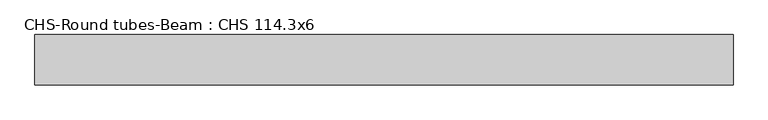
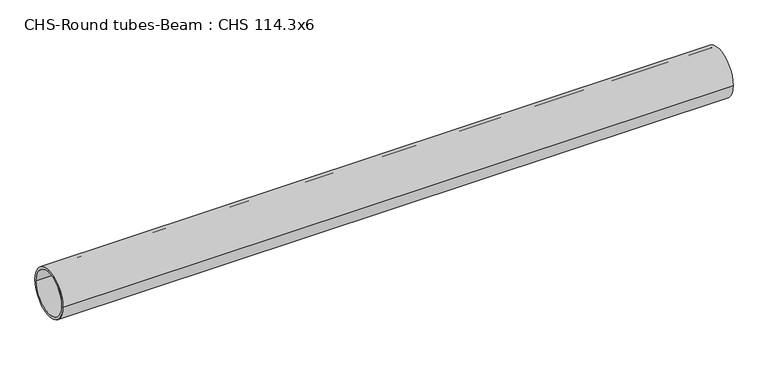
"""IFC4 building model written with IfcOpenShell, lengths in millimetres: beam geometry, CHS-Round tubes-Beam : CHS 114.3x6."""

import ifcopenshell
import ifcopenshell.guid

model = None  # the IFC model being written
_history = None  # IfcOwnerHistory: only IFC2X3 demands one
_inside = {}  # id of a spatial element -> (the spatial element, [elements in it])
_under = {}  # id of a project, library or spatial element -> (it, [spatial elements below it])
_declared = {}  # id of a project -> (the project, [libraries it declares])
_typed = {}  # id of a type object -> (the type object, [elements of that type])
_made_of = {}  # id of a material, layer set ... -> (it, [elements and type objects made of it])


def new_model(schema):
    """Start an empty IFC model of exactly this schema.

    Asked for "IFC4X3", IfcOpenShell would pick the latest addendum, in which some entities
    have other attributes; the version numbers below select the first issue.
    IFC2X3 requires an IfcOwnerHistory on every rooted entity: one is made here for all.
    """
    global model, _history
    if schema == "IFC4X3":
        model = ifcopenshell.file(schema_version=(4, 3, 0, 0))
    else:
        model = ifcopenshell.file(schema=schema)
    _inside.clear()
    _under.clear()
    _declared.clear()
    _typed.clear()
    _made_of.clear()
    _history = None
    if model.schema == "IFC2X3":
        org = make("IfcOrganization", Name="unknown")
        user = make(
            "IfcPersonAndOrganization",
            ThePerson=make("IfcPerson", FamilyName="unknown"),
            TheOrganization=org,
        )
        app = make(
            "IfcApplication",
            ApplicationDeveloper=org,
            Version="unknown",
            ApplicationFullName="unknown",
            ApplicationIdentifier="unknown",
        )
        _history = make(
            "IfcOwnerHistory",
            OwningUser=user,
            OwningApplication=app,
            ChangeAction="ADDED",
            CreationDate=0,
        )
    return model


def make(cls, **values):
    """One entity of the class cls with the attributes given. An attribute that is None is left unset."""
    return model.create_entity(
        cls, **{name: value for name, value in values.items() if value is not None}
    )


def rooted(cls, **values):
    """An entity with a GlobalId (a new one), such as an element, a storey or a relation."""
    return make(cls, GlobalId=ifcopenshell.guid.new(), OwnerHistory=_history, **values)


def si_unit(unit_type, name, prefix=None):
    """IfcSIUnit, for example si_unit("LENGTHUNIT", "METRE", prefix="MILLI")."""
    return make("IfcSIUnit", UnitType=unit_type, Prefix=prefix, Name=name)


def assignment(units):
    """IfcUnitAssignment: the units of a project."""
    return None if units is None else make("IfcUnitAssignment", Units=units)


def point(xyz):
    """IfcCartesianPoint."""
    return None if xyz is None else make("IfcCartesianPoint", Coordinates=xyz)


def direction(xyz):
    """IfcDirection."""
    return None if xyz is None else make("IfcDirection", DirectionRatios=xyz)


def frame(location, z_axis=None, x_axis=None):
    """IfcAxis2Placement3D, a coordinate frame: its origin and axes. An axis left out is left unset."""
    return make(
        "IfcAxis2Placement3D",
        Location=point(location),
        Axis=direction(z_axis),
        RefDirection=direction(x_axis),
    )


def frame_2d(location, x_axis=None):
    """IfcAxis2Placement2D, a coordinate frame in the plane: its origin and x axis."""
    return make(
        "IfcAxis2Placement2D", Location=point(location), RefDirection=direction(x_axis)
    )


def origin():
    """The frame at (0, 0, 0) with its axes left unset."""
    return frame((0.0, 0.0, 0.0))


def origin_2d():
    """The frame at (0, 0) in the plane with its x axis left unset."""
    return frame_2d((0.0, 0.0))


def place(relative_to, where):
    """IfcLocalPlacement: puts the frame where relative to a parent placement (None: the world)."""
    return make(
        "IfcLocalPlacement", PlacementRelTo=relative_to, RelativePlacement=where
    )


def context(
    kind, dimensions, precision=None, world=None, true_north=None, identifier=None
):
    """IfcGeometricRepresentationContext, for example the 3D "Model" context."""
    return make(
        "IfcGeometricRepresentationContext",
        ContextIdentifier=identifier,
        ContextType=kind,
        CoordinateSpaceDimension=dimensions,
        Precision=precision,
        WorldCoordinateSystem=world,
        TrueNorth=true_north,
    )


def project(units=None, contexts=None):
    """IfcProject with its units and contexts."""
    return rooted(
        "IfcProject",
        Name="project",
        RepresentationContexts=contexts,
        UnitsInContext=assignment(units),
    )


def spatial(cls, under=None, at=None, **own):
    """A site, building, storey or space (cls), placed at a placement, below another one or the project."""
    s = rooted(cls, ObjectPlacement=at, **own)
    if under is not None:
        _under.setdefault(under.id(), (under, []))[1].append(s)
    return s


def circle_curve(where, radius):
    """IfcCircle in the frame where."""
    return make("IfcCircle", Position=where, Radius=radius)


def trimmed(basis, trim1, trim2, sense, master):
    """IfcTrimmedCurve: the piece of a basis curve between two trims."""
    return make(
        "IfcTrimmedCurve",
        BasisCurve=basis,
        Trim1=trim1,
        Trim2=trim2,
        SenseAgreement=sense,
        MasterRepresentation=master,
    )


def segment(curve, same_sense, transition):
    """IfcCompositeCurveSegment."""
    return make(
        "IfcCompositeCurveSegment",
        Transition=transition,
        SameSense=same_sense,
        ParentCurve=curve,
    )


def composite_curve(segments, self_intersect=None):
    """IfcCompositeCurve: segments joined end to end."""
    return make("IfcCompositeCurve", Segments=segments, SelfIntersect=self_intersect)


def outline(outer, holes=None, kind="AREA"):
    """IfcArbitraryClosedProfileDef: a profile drawn as a closed curve; with holes, ...WithVoids."""
    if holes is None:
        return make("IfcArbitraryClosedProfileDef", ProfileType=kind, OuterCurve=outer)
    return make(
        "IfcArbitraryProfileDefWithVoids",
        ProfileType=kind,
        OuterCurve=outer,
        InnerCurves=holes,
    )


def extrude(swept, where, along, depth):
    """IfcExtrudedAreaSolid: the profile swept, set in the frame where, extruded along a direction by depth."""
    return make(
        "IfcExtrudedAreaSolid",
        SweptArea=swept,
        Position=where,
        ExtrudedDirection=direction(along),
        Depth=depth,
    )


def shape(context_of_items, identifier, shape_type, items):
    """IfcShapeRepresentation: the items that make up one representation, for example the "Body"."""
    return make(
        "IfcShapeRepresentation",
        ContextOfItems=context_of_items,
        RepresentationIdentifier=identifier,
        RepresentationType=shape_type,
        Items=items,
    )


def source(mapping_origin, context_of_items, identifier, shape_type, items):
    """IfcRepresentationMap: a shape defined once, which mapped items show again and again."""
    return make(
        "IfcRepresentationMap",
        MappingOrigin=mapping_origin,
        MappedRepresentation=shape(context_of_items, identifier, shape_type, items),
    )


def transform(
    local_origin,
    x_axis=None,
    y_axis=None,
    z_axis=None,
    scale=None,
    scale2=None,
    scale3=None,
    uniform=True,
):
    """IfcCartesianTransformationOperator3D, or its non-uniform kind. x_axis, y_axis, z_axis: its Axis1, 2, 3."""
    if uniform:
        return make(
            "IfcCartesianTransformationOperator3D",
            Axis1=direction(x_axis),
            Axis2=direction(y_axis),
            LocalOrigin=point(local_origin),
            Scale=scale,
            Axis3=direction(z_axis),
        )
    return make(
        "IfcCartesianTransformationOperator3DnonUniform",
        Axis1=direction(x_axis),
        Axis2=direction(y_axis),
        LocalOrigin=point(local_origin),
        Scale=scale,
        Axis3=direction(z_axis),
        Scale2=scale2,
        Scale3=scale3,
    )


def mapped(mapping_source, mapping_target):
    """IfcMappedItem: shows the shape of a source again, moved by a transform."""
    return make(
        "IfcMappedItem", MappingSource=mapping_source, MappingTarget=mapping_target
    )


def made_of(thing, what):
    """Note that an element or type object is made of a material, layer set ...; save() writes the relation."""
    if what is not None:
        _made_of.setdefault(what.id(), (what, []))[1].append(thing)
    return thing


def element(
    cls,
    number,
    at=None,
    inside=None,
    cuts=None,
    type_object=None,
    material=None,
    context=None,
    identifier="Body",
    shape_type=None,
    held_by="IfcProductDefinitionShape",
    body=None,
    shapes=None,
    **own,
):
    """One element of the class cls, such as IfcWall. Its Tag is "e" and its number.

    at: its placement. inside: the storey or other place that contains it. cuts: it is an
    opening in that element (IfcRelVoidsElement). A single representation is given by context,
    identifier, shape_type and body (its items); several are given by shapes. held_by: the class
    of the entity that holds the representations. save() writes the other relations.
    """
    e = rooted(cls, Tag="e%d" % number, ObjectPlacement=at, **own)
    if body is not None:
        shapes = [shape(context, identifier, shape_type, body)]
    if shapes is not None:
        e.Representation = make(held_by, Representations=shapes)
    if inside is not None:
        _inside.setdefault(inside.id(), (inside, []))[1].append(e)
    if cuts is not None:
        rooted(
            "IfcRelVoidsElement", RelatingBuildingElement=cuts, RelatedOpeningElement=e
        )
    if type_object is not None:
        _typed.setdefault(type_object.id(), (type_object, []))[1].append(e)
    return made_of(e, material)


def aggregate(whole, parts):
    """IfcRelAggregates: a whole, such as a stair, and the parts it consists of."""
    return rooted("IfcRelAggregates", RelatingObject=whole, RelatedObjects=parts)


def save(model, path):
    """Write the relations noted so far, then the file.

    IfcRelAggregates (storeys below a building ...), IfcRelContainedInSpatialStructure (elements
    in a storey), IfcRelDefinesByType, IfcRelAssociatesMaterial and IfcRelDeclares: one each for
    every whole, place, type object, material and project.
    """
    for whole, parts in _under.values():
        aggregate(whole, parts)
    for where, things in _inside.values():
        rooted(
            "IfcRelContainedInSpatialStructure",
            RelatedElements=things,
            RelatingStructure=where,
        )
    for kind, things in _typed.values():
        rooted("IfcRelDefinesByType", RelatedObjects=things, RelatingType=kind)
    for what, things in _made_of.values():
        rooted("IfcRelAssociatesMaterial", RelatedObjects=things, RelatingMaterial=what)
    for by, libraries in _declared.values():
        rooted("IfcRelDeclares", RelatingContext=by, RelatedDefinitions=libraries)
    model.write(path)


def chs_round_tubes_beam_chs_114_3x6_faef45cf(model_context):
    return source(origin(), model_context, "Body", "SweptSolid", [
        extrude(outline(composite_curve([segment(trimmed(circle_curve(origin_2d(), 57.15), [point((57.15, 0.0))], [point((-57.15, 0.0))], False, "CARTESIAN"), True, "CONTINUOUS"), segment(trimmed(circle_curve(origin_2d(), 57.15), [point((-57.15, 0.0))], [point((57.15, 0.0))], False, "CARTESIAN"), True, "CONTINUOUS")], self_intersect=False), holes=[composite_curve([segment(trimmed(circle_curve(origin_2d(), 51.15), [point((51.15, 0.0))], [point((-51.15, 0.0))], True, "CARTESIAN"), True, "CONTINUOUS"), segment(trimmed(circle_curve(origin_2d(), 51.15), [point((-51.15, 0.0))], [point((51.15, 0.0))], True, "CARTESIAN"), True, "CONTINUOUS")], self_intersect=False)]), frame((-785.7850805, 0.0, 0.0), z_axis=(1.0, 0.0, 0.0), x_axis=(0.0, 1.0, 0.0)), (0.0, 0.0, 1.0), 1583.2048453),
    ])


if __name__ == "__main__":
    model = new_model("IFC4")
    model_context = context("Model", 3, world=origin())
    ifc_project = project(units=[si_unit("LENGTHUNIT", "METRE", prefix="MILLI")], contexts=[model_context])
    site = spatial("IfcSite", under=ifc_project)
    building = spatial("IfcBuilding", under=site)
    placement = place(None, origin())
    chs_round_tubes_beam_chs_114_3x6_shape = chs_round_tubes_beam_chs_114_3x6_faef45cf(model_context)
    element("IfcBeam", 1, ObjectType="CHS-Round tubes-Beam : CHS 114.3x6", at=placement, inside=building, context=model_context, shape_type="MappedRepresentation", body=[
        mapped(chs_round_tubes_beam_chs_114_3x6_shape, transform((0.0, 0.0, 0.0), x_axis=(1.0, 0.0, 0.0), y_axis=(0.0, 1.0, 0.0), z_axis=(0.0, 0.0, 1.0))),
    ])
    save(model, "model.ifc")
